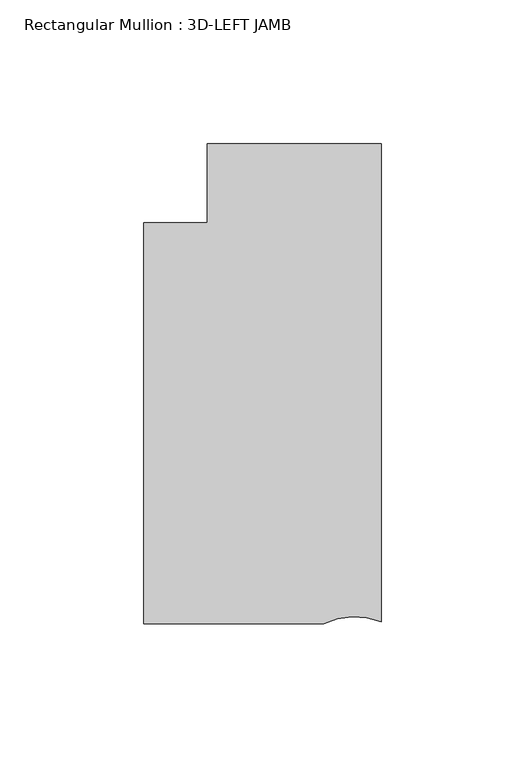
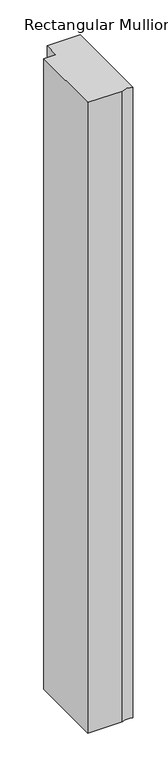
"""IFC4 building model written with IfcOpenShell, lengths in millimetres: member geometry, Rectangular Mullion : 3D-LEFT JAMB."""

from ifc_helpers import new_model, si_unit, point, frame, frame_2d, origin, place, context, project, spatial, polyline, circle_curve, trimmed, segment, composite_curve, outline, extrude, source, transform, mapped, element, save


def rectangular_mullion_3d_left_jamb_3c2ab779(model_context):
    return source(origin(), model_context, "Body", "SweptSolid", [
        extrude(outline(composite_curve([segment(polyline([(-20.0963261, -82.8359809), (-82.7668749, -82.8359809), (-82.7668749, 56.8640141), (-60.5419882, 56.8640141), (-60.5419882, 84.4234809), (0.0, 84.4234809), (0.0, -82.1212843)]), True, "CONTINUOUS"), segment(trimmed(circle_curve(frame_2d((-9.2332881, -105.3918456)), 25.0354275), [point((0.0, -82.1212843))], [point((-20.0963261, -82.8359809))], True, "CARTESIAN"), True, "CONTINUOUS")], self_intersect=False)), frame((0.0, 0.0, -1219.2), z_axis=(0.0, 0.0, 1.0), x_axis=(1.0, 0.0, 0.0)), (0.0, 0.0, 1.0), 1219.2),
    ])


if __name__ == "__main__":
    model = new_model("IFC4")
    model_context = context("Model", 3, world=origin())
    ifc_project = project(units=[si_unit("LENGTHUNIT", "METRE", prefix="MILLI")], contexts=[model_context])
    site = spatial("IfcSite", under=ifc_project)
    building = spatial("IfcBuilding", under=site)
    placement = place(None, origin())
    rectangular_mullion_3d_left_jamb_shape = rectangular_mullion_3d_left_jamb_3c2ab779(model_context)
    element("IfcMember", 1, ObjectType="Rectangular Mullion : 3D-LEFT JAMB", at=placement, inside=building, context=model_context, shape_type="MappedRepresentation", body=[
        mapped(rectangular_mullion_3d_left_jamb_shape, transform((0.0, 0.0, 0.0), x_axis=(1.0, 0.0, 0.0), y_axis=(0.0, 1.0, 0.0), z_axis=(0.0, 0.0, 1.0))),
    ])
    save(model, "model.ifc")
